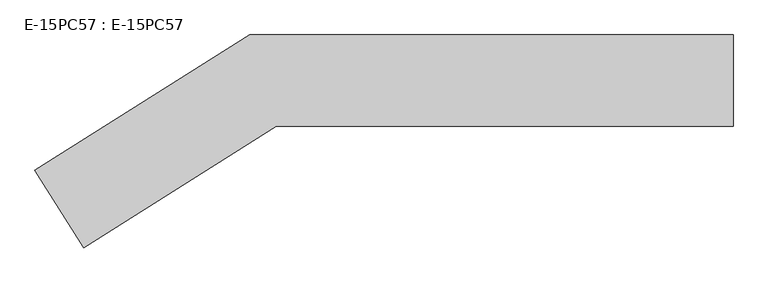
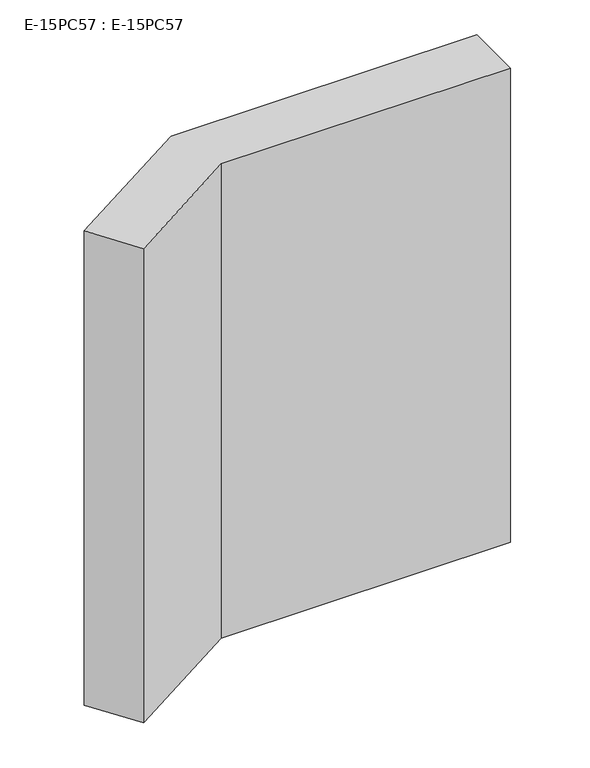
"""IFC4 building model written with IfcOpenShell, lengths in millimetres: column geometry, E-15PC57 : E-15PC57."""

from ifc_helpers import new_model, si_unit, frame, origin, place, context, project, spatial, polyline, outline, extrude, source, transform, mapped, element, save


def e_15pc57_e_15pc57_1eb1b3d7(model_context):
    return source(origin(), model_context, "Body", "SweptSolid", [
        extrude(outline(polyline([(-788.1, 1260.0), (800.0, 1260.0), (800.0, 960.0), (-701.4589126, 960.0), (-1334.668178, 560.9717779), (-1494.61, 814.78), (-788.1, 1260.0)])), frame((0.0, 0.0, 26000.0), z_axis=(0.0, 0.0, 1.0), x_axis=(1.0, 0.0, 0.0)), (0.0, 0.0, 1.0), 2600.0),
    ])


if __name__ == "__main__":
    model = new_model("IFC4")
    model_context = context("Model", 3, world=origin())
    ifc_project = project(units=[si_unit("LENGTHUNIT", "METRE", prefix="MILLI")], contexts=[model_context])
    site = spatial("IfcSite", under=ifc_project)
    building = spatial("IfcBuilding", under=site)
    placement = place(None, origin())
    e_15pc57_e_15pc57_shape = e_15pc57_e_15pc57_1eb1b3d7(model_context)
    element("IfcColumn", 1, ObjectType="E-15PC57 : E-15PC57", at=placement, inside=building, context=model_context, shape_type="MappedRepresentation", body=[
        mapped(e_15pc57_e_15pc57_shape, transform((0.0, 0.0, 0.0), x_axis=(1.0, 0.0, 0.0), y_axis=(0.0, 1.0, 0.0), z_axis=(0.0, 0.0, 1.0))),
    ])
    save(model, "model.ifc")
